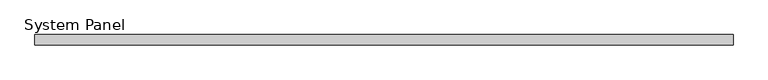
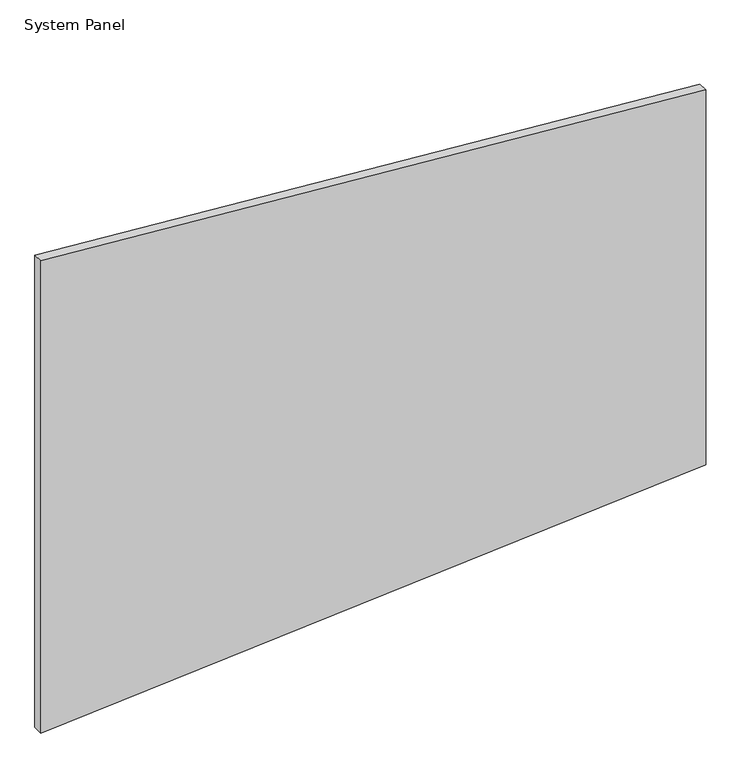
"""IFC4 building model written with IfcOpenShell, lengths in millimetres: plate geometry, System Panel."""

from ifc_helpers import new_model, si_unit, frame, origin, place, context, project, spatial, polyline, outline, extrude, source, transform, mapped, element, save


def system_panel_72048875(model_context):
    return source(origin(), model_context, "Body", "SweptSolid", [
        extrude(outline(polyline([(0.0, -660.9815752), (100.8955476, 660.9815752), (889.398541, 660.9815752), (992.6039636, -660.9815752), (0.0, -660.9815752)])), frame((0.0, -10.0, 0.0), z_axis=(0.0, 1.0, 0.0), x_axis=(0.0, 0.0, 1.0)), (0.0, 0.0, 1.0), 20.0),
    ])


if __name__ == "__main__":
    model = new_model("IFC4")
    model_context = context("Model", 3, world=origin())
    ifc_project = project(units=[si_unit("LENGTHUNIT", "METRE", prefix="MILLI")], contexts=[model_context])
    site = spatial("IfcSite", under=ifc_project)
    building = spatial("IfcBuilding", under=site)
    placement = place(None, origin())
    system_panel_shape = system_panel_72048875(model_context)
    element("IfcPlate", 1, ObjectType="System Panel", at=placement, inside=building, context=model_context, shape_type="MappedRepresentation", body=[
        mapped(system_panel_shape, transform((0.0, 0.0, 0.0), x_axis=(1.0, 0.0, 0.0), y_axis=(0.0, 1.0, 0.0), z_axis=(0.0, 0.0, 1.0))),
    ])
    save(model, "model.ifc")
